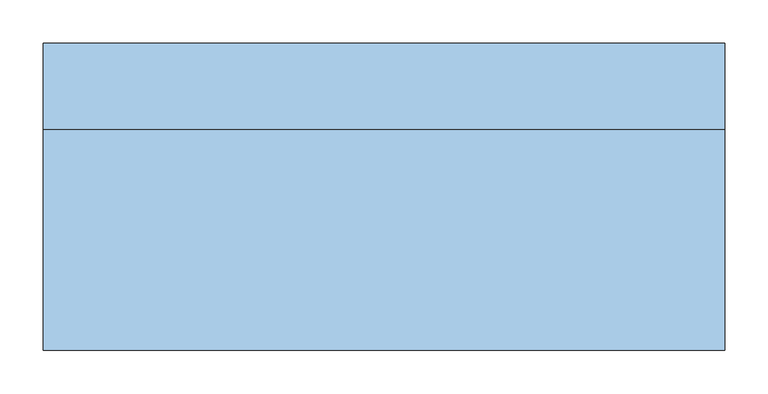
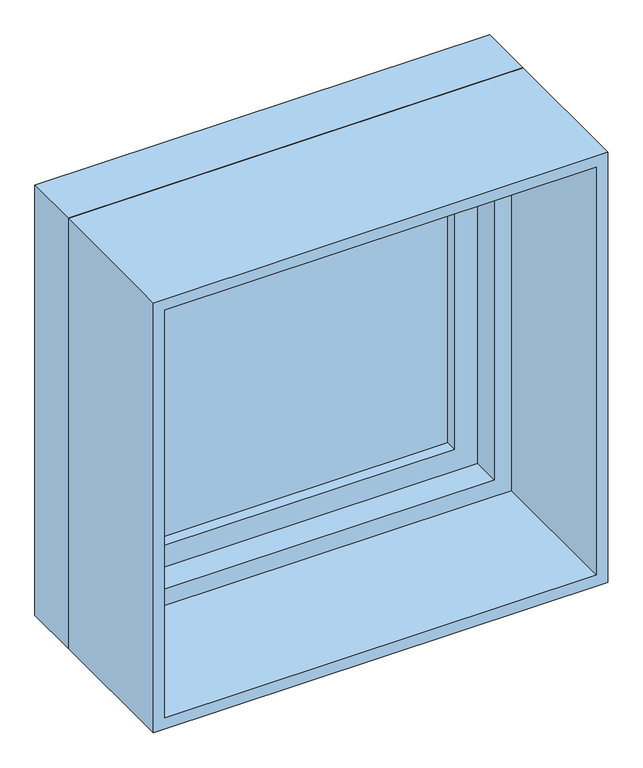
"""IFC4 building model written with IfcOpenShell, lengths in millimetres: window geometry."""

from ifc_helpers import new_model, si_unit, frame, origin, place, context, project, spatial, polyline, outline, extrude, source, transform, mapped, element, save


def window_16cc0b1d(model_context):
    return source(origin(), model_context, "Body", "SweptSolid", [
        extrude(outline(polyline([(1550.0, 302.6017307), (1550.0, -387.3982693), (860.0, -387.3982693), (860.0, 302.6017307), (1550.0, 302.6017307)]), holes=[polyline([(900.0, -347.3982693), (1510.0, -347.3982693), (1510.0, 262.6017307), (900.0, 262.6017307), (900.0, -347.3982693)])]), frame((0.0, 98.0, 0.0), z_axis=(0.0, 1.0, 0.0), x_axis=(0.0, 0.0, 1.0)), (0.0, 0.0, 1.0), 50.0),
        extrude(outline(polyline([(1600.0, -437.3982693), (810.0, -437.3982693), (810.0, 352.6017307), (1600.0, 352.6017307), (1600.0, -437.3982693)]), holes=[polyline([(1550.0, 302.6017307), (860.0, 302.6017307), (860.0, -387.3982693), (1550.0, -387.3982693), (1550.0, 302.6017307)])]), frame((0.0, 48.0, 0.0), z_axis=(0.0, 1.0, 0.0), x_axis=(0.0, 0.0, 1.0)), (0.0, 0.0, 1.0), 100.0),
        extrude(outline(polyline([(-347.3982693, 128.0), (262.6017307, 128.0), (262.6017307, 118.0), (-347.3982693, 118.0), (-347.3982693, 128.0)])), frame((0.0, 0.0, 900.0), z_axis=(0.0, 0.0, 1.0), x_axis=(1.0, 0.0, 0.0)), (0.0, 0.0, 1.0), 610.0),
        extrude(outline(polyline([(810.0, 352.6017307), (1600.0, 352.6017307), (1600.0, -437.3982693), (810.0, -437.3982693), (810.0, 352.6017307)]), holes=[polyline([(830.0, 332.6017307), (830.0, -417.3982693), (1580.0, -417.3982693), (1580.0, 332.6017307), (830.0, 332.6017307)])]), frame((0.0, -208.0, 0.0), z_axis=(0.0, 1.0, 0.0), x_axis=(0.0, 0.0, 1.0)), (0.0, 0.0, 1.0), 256.0),
    ])


if __name__ == "__main__":
    model = new_model("IFC4")
    model_context = context("Model", 3, world=origin())
    ifc_project = project(units=[si_unit("LENGTHUNIT", "METRE", prefix="MILLI")], contexts=[model_context])
    site = spatial("IfcSite", under=ifc_project)
    building = spatial("IfcBuilding", under=site)
    placement = place(None, origin())
    window_shape = window_16cc0b1d(model_context)
    element("IfcWindow", 1, at=placement, inside=building, context=model_context, shape_type="MappedRepresentation", body=[
        mapped(window_shape, transform((0.0, 0.0, 0.0), x_axis=(1.0, 0.0, 0.0), y_axis=(0.0, 1.0, 0.0), z_axis=(0.0, 0.0, 1.0))),
    ])
    save(model, "model.ifc")
